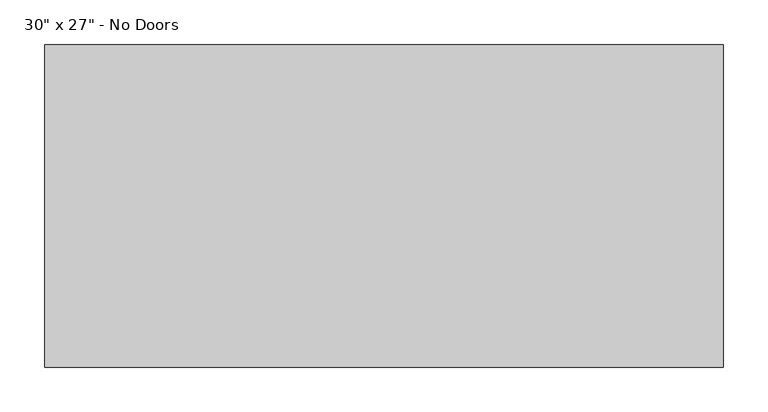
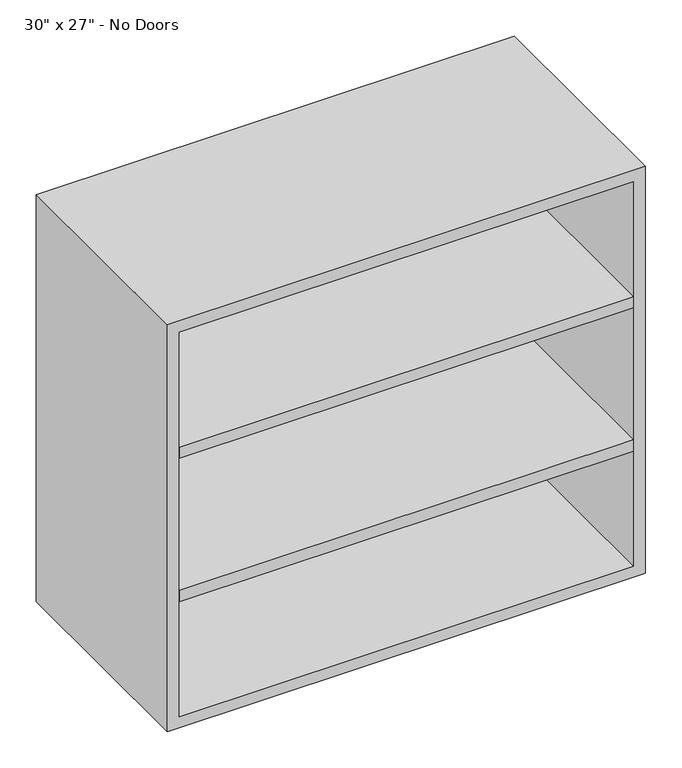
"""IFC4 building model written with IfcOpenShell, lengths in millimetres: furniture geometry."""

import ifcopenshell
import ifcopenshell.guid

model = None  # the IFC model being written
_history = None  # IfcOwnerHistory: only IFC2X3 demands one
_inside = {}  # id of a spatial element -> (the spatial element, [elements in it])
_under = {}  # id of a project, library or spatial element -> (it, [spatial elements below it])
_declared = {}  # id of a project -> (the project, [libraries it declares])
_typed = {}  # id of a type object -> (the type object, [elements of that type])
_made_of = {}  # id of a material, layer set ... -> (it, [elements and type objects made of it])


def new_model(schema):
    """Start an empty IFC model of exactly this schema.

    Asked for "IFC4X3", IfcOpenShell would pick the latest addendum, in which some entities
    have other attributes; the version numbers below select the first issue.
    IFC2X3 requires an IfcOwnerHistory on every rooted entity: one is made here for all.
    """
    global model, _history
    if schema == "IFC4X3":
        model = ifcopenshell.file(schema_version=(4, 3, 0, 0))
    else:
        model = ifcopenshell.file(schema=schema)
    _inside.clear()
    _under.clear()
    _declared.clear()
    _typed.clear()
    _made_of.clear()
    _history = None
    if model.schema == "IFC2X3":
        org = make("IfcOrganization", Name="unknown")
        user = make(
            "IfcPersonAndOrganization",
            ThePerson=make("IfcPerson", FamilyName="unknown"),
            TheOrganization=org,
        )
        app = make(
            "IfcApplication",
            ApplicationDeveloper=org,
            Version="unknown",
            ApplicationFullName="unknown",
            ApplicationIdentifier="unknown",
        )
        _history = make(
            "IfcOwnerHistory",
            OwningUser=user,
            OwningApplication=app,
            ChangeAction="ADDED",
            CreationDate=0,
        )
    return model


def make(cls, **values):
    """One entity of the class cls with the attributes given. An attribute that is None is left unset."""
    return model.create_entity(
        cls, **{name: value for name, value in values.items() if value is not None}
    )


def rooted(cls, **values):
    """An entity with a GlobalId (a new one), such as an element, a storey or a relation."""
    return make(cls, GlobalId=ifcopenshell.guid.new(), OwnerHistory=_history, **values)


def si_unit(unit_type, name, prefix=None):
    """IfcSIUnit, for example si_unit("LENGTHUNIT", "METRE", prefix="MILLI")."""
    return make("IfcSIUnit", UnitType=unit_type, Prefix=prefix, Name=name)


def assignment(units):
    """IfcUnitAssignment: the units of a project."""
    return None if units is None else make("IfcUnitAssignment", Units=units)


def point(xyz):
    """IfcCartesianPoint."""
    return None if xyz is None else make("IfcCartesianPoint", Coordinates=xyz)


def direction(xyz):
    """IfcDirection."""
    return None if xyz is None else make("IfcDirection", DirectionRatios=xyz)


def frame(location, z_axis=None, x_axis=None):
    """IfcAxis2Placement3D, a coordinate frame: its origin and axes. An axis left out is left unset."""
    return make(
        "IfcAxis2Placement3D",
        Location=point(location),
        Axis=direction(z_axis),
        RefDirection=direction(x_axis),
    )


def origin():
    """The frame at (0, 0, 0) with its axes left unset."""
    return frame((0.0, 0.0, 0.0))


def place(relative_to, where):
    """IfcLocalPlacement: puts the frame where relative to a parent placement (None: the world)."""
    return make(
        "IfcLocalPlacement", PlacementRelTo=relative_to, RelativePlacement=where
    )


def context(
    kind, dimensions, precision=None, world=None, true_north=None, identifier=None
):
    """IfcGeometricRepresentationContext, for example the 3D "Model" context."""
    return make(
        "IfcGeometricRepresentationContext",
        ContextIdentifier=identifier,
        ContextType=kind,
        CoordinateSpaceDimension=dimensions,
        Precision=precision,
        WorldCoordinateSystem=world,
        TrueNorth=true_north,
    )


def project(units=None, contexts=None):
    """IfcProject with its units and contexts."""
    return rooted(
        "IfcProject",
        Name="project",
        RepresentationContexts=contexts,
        UnitsInContext=assignment(units),
    )


def spatial(cls, under=None, at=None, **own):
    """A site, building, storey or space (cls), placed at a placement, below another one or the project."""
    s = rooted(cls, ObjectPlacement=at, **own)
    if under is not None:
        _under.setdefault(under.id(), (under, []))[1].append(s)
    return s


def polyline(points):
    """IfcPolyline through the points."""
    return make("IfcPolyline", Points=[point(p) for p in points])


def outline(outer, holes=None, kind="AREA"):
    """IfcArbitraryClosedProfileDef: a profile drawn as a closed curve; with holes, ...WithVoids."""
    if holes is None:
        return make("IfcArbitraryClosedProfileDef", ProfileType=kind, OuterCurve=outer)
    return make(
        "IfcArbitraryProfileDefWithVoids",
        ProfileType=kind,
        OuterCurve=outer,
        InnerCurves=holes,
    )


def extrude(swept, where, along, depth):
    """IfcExtrudedAreaSolid: the profile swept, set in the frame where, extruded along a direction by depth."""
    return make(
        "IfcExtrudedAreaSolid",
        SweptArea=swept,
        Position=where,
        ExtrudedDirection=direction(along),
        Depth=depth,
    )


def shape(context_of_items, identifier, shape_type, items):
    """IfcShapeRepresentation: the items that make up one representation, for example the "Body"."""
    return make(
        "IfcShapeRepresentation",
        ContextOfItems=context_of_items,
        RepresentationIdentifier=identifier,
        RepresentationType=shape_type,
        Items=items,
    )


def source(mapping_origin, context_of_items, identifier, shape_type, items):
    """IfcRepresentationMap: a shape defined once, which mapped items show again and again."""
    return make(
        "IfcRepresentationMap",
        MappingOrigin=mapping_origin,
        MappedRepresentation=shape(context_of_items, identifier, shape_type, items),
    )


def transform(
    local_origin,
    x_axis=None,
    y_axis=None,
    z_axis=None,
    scale=None,
    scale2=None,
    scale3=None,
    uniform=True,
):
    """IfcCartesianTransformationOperator3D, or its non-uniform kind. x_axis, y_axis, z_axis: its Axis1, 2, 3."""
    if uniform:
        return make(
            "IfcCartesianTransformationOperator3D",
            Axis1=direction(x_axis),
            Axis2=direction(y_axis),
            LocalOrigin=point(local_origin),
            Scale=scale,
            Axis3=direction(z_axis),
        )
    return make(
        "IfcCartesianTransformationOperator3DnonUniform",
        Axis1=direction(x_axis),
        Axis2=direction(y_axis),
        LocalOrigin=point(local_origin),
        Scale=scale,
        Axis3=direction(z_axis),
        Scale2=scale2,
        Scale3=scale3,
    )


def mapped(mapping_source, mapping_target):
    """IfcMappedItem: shows the shape of a source again, moved by a transform."""
    return make(
        "IfcMappedItem", MappingSource=mapping_source, MappingTarget=mapping_target
    )


def made_of(thing, what):
    """Note that an element or type object is made of a material, layer set ...; save() writes the relation."""
    if what is not None:
        _made_of.setdefault(what.id(), (what, []))[1].append(thing)
    return thing


def element(
    cls,
    number,
    at=None,
    inside=None,
    cuts=None,
    type_object=None,
    material=None,
    context=None,
    identifier="Body",
    shape_type=None,
    held_by="IfcProductDefinitionShape",
    body=None,
    shapes=None,
    **own,
):
    """One element of the class cls, such as IfcWall. Its Tag is "e" and its number.

    at: its placement. inside: the storey or other place that contains it. cuts: it is an
    opening in that element (IfcRelVoidsElement). A single representation is given by context,
    identifier, shape_type and body (its items); several are given by shapes. held_by: the class
    of the entity that holds the representations. save() writes the other relations.
    """
    e = rooted(cls, Tag="e%d" % number, ObjectPlacement=at, **own)
    if body is not None:
        shapes = [shape(context, identifier, shape_type, body)]
    if shapes is not None:
        e.Representation = make(held_by, Representations=shapes)
    if inside is not None:
        _inside.setdefault(inside.id(), (inside, []))[1].append(e)
    if cuts is not None:
        rooted(
            "IfcRelVoidsElement", RelatingBuildingElement=cuts, RelatedOpeningElement=e
        )
    if type_object is not None:
        _typed.setdefault(type_object.id(), (type_object, []))[1].append(e)
    return made_of(e, material)


def aggregate(whole, parts):
    """IfcRelAggregates: a whole, such as a stair, and the parts it consists of."""
    return rooted("IfcRelAggregates", RelatingObject=whole, RelatedObjects=parts)


def save(model, path):
    """Write the relations noted so far, then the file.

    IfcRelAggregates (storeys below a building ...), IfcRelContainedInSpatialStructure (elements
    in a storey), IfcRelDefinesByType, IfcRelAssociatesMaterial and IfcRelDeclares: one each for
    every whole, place, type object, material and project.
    """
    for whole, parts in _under.values():
        aggregate(whole, parts)
    for where, things in _inside.values():
        rooted(
            "IfcRelContainedInSpatialStructure",
            RelatedElements=things,
            RelatingStructure=where,
        )
    for kind, things in _typed.values():
        rooted("IfcRelDefinesByType", RelatedObjects=things, RelatingType=kind)
    for what, things in _made_of.values():
        rooted("IfcRelAssociatesMaterial", RelatedObjects=things, RelatingMaterial=what)
    for by, libraries in _declared.values():
        rooted("IfcRelDeclares", RelatingContext=by, RelatedDefinitions=libraries)
    model.write(path)


def furniture_35c2e655(model_context):
    return source(origin(), model_context, "Body", "SweptSolid", [
        extrude(outline(polyline([(361.9569453, 161.925), (361.9569453, -180.975), (-361.9291641, -180.975), (-361.9291641, 161.925), (361.9569453, 161.925)])), frame((0.0, 0.0, 1190.625), z_axis=(0.0, 0.0, 1.0), x_axis=(1.0, 0.0, 0.0)), (0.0, 0.0, 1.0), 19.05),
        extrude(outline(polyline([(361.9569453, 161.925), (361.9569453, -180.975), (-361.9291641, -180.975), (-361.9291641, 161.925), (361.9569453, 161.925)])), frame((0.0, 0.0, 949.325), z_axis=(0.0, 0.0, 1.0), x_axis=(1.0, 0.0, 0.0)), (0.0, 0.0, 1.0), 19.05),
        extrude(outline(polyline([(736.6, -380.9861094), (736.6, 381.0138906), (1422.4, 381.0138906), (1422.4, -380.9861094), (736.6, -380.9861094)]), holes=[polyline([(755.65, -361.9361094), (1403.35, -361.9361094), (1403.35, 361.9569453), (755.65, 361.9569453), (755.65, -361.9361094)])]), frame((0.0, -180.975, 0.0), z_axis=(0.0, 1.0, 0.0), x_axis=(0.0, 0.0, 1.0)), (0.0, 0.0, 1.0), 361.95),
        extrude(outline(polyline([(-361.9291641, 161.925), (-361.9291641, 180.975), (361.9569453, 180.975), (361.9569453, 161.925), (-361.9291641, 161.925)])), frame((0.0, 0.0, 755.65), z_axis=(0.0, 0.0, 1.0), x_axis=(1.0, 0.0, 0.0)), (0.0, 0.0, 1.0), 647.7),
    ])


if __name__ == "__main__":
    model = new_model("IFC4")
    model_context = context("Model", 3, world=origin())
    ifc_project = project(units=[si_unit("LENGTHUNIT", "METRE", prefix="MILLI")], contexts=[model_context])
    site = spatial("IfcSite", under=ifc_project)
    building = spatial("IfcBuilding", under=site)
    placement = place(None, origin())
    furniture_shape = furniture_35c2e655(model_context)
    element("IfcFurniture", 1, ObjectType="30\" x 27\" - No Doors", at=placement, inside=building, context=model_context, shape_type="MappedRepresentation", body=[
        mapped(furniture_shape, transform((0.0, 0.0, 0.0), x_axis=(1.0, 0.0, 0.0), y_axis=(0.0, 1.0, 0.0), z_axis=(0.0, 0.0, 1.0))),
    ])
    save(model, "model.ifc")
